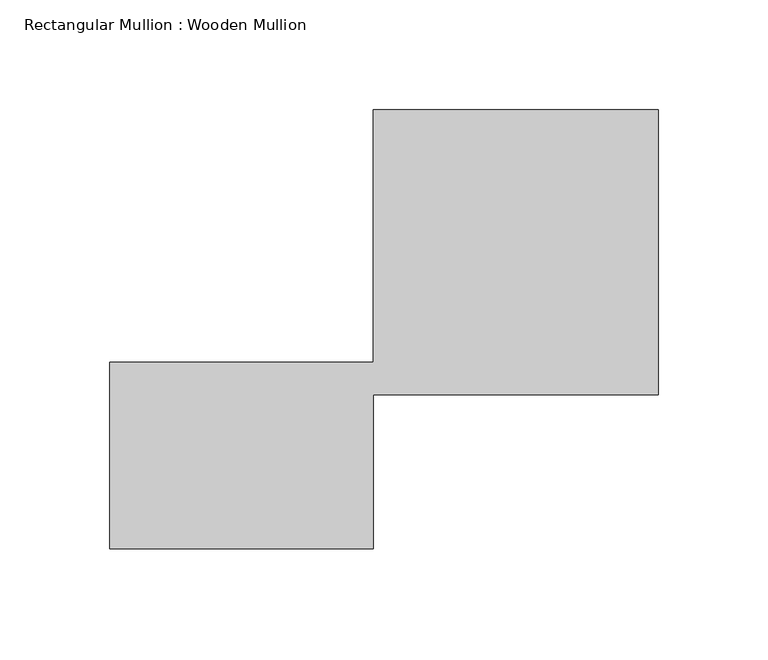
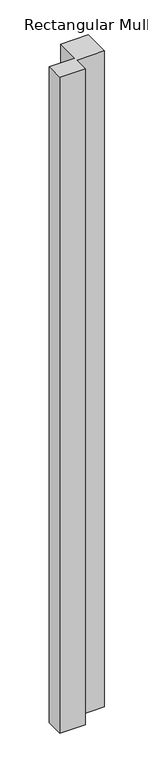
"""IFC4 building model written with IfcOpenShell, lengths in millimetres: member geometry, Rectangular Mullion : Wooden Mullion."""

from ifc_helpers import new_model, si_unit, frame, origin, place, context, project, spatial, polyline, outline, extrude, source, transform, mapped, element, save


def rectangular_mullion_wooden_mullion_5437bc1d(model_context):
    return source(origin(), model_context, "Body", "SweptSolid", [
        extrude(outline(polyline([(74.8100006, -26.0137344), (-45.1899994, -26.0137344), (-45.1899994, 58.9862656), (74.8100006, 58.9862656), (74.8100006, 173.9862656), (204.8100006, 173.9862656), (204.8100006, 43.9862656), (74.8100006, 43.9862656), (74.8100006, -26.0137344)])), frame((0.0, 0.0, -3246.0009123), z_axis=(0.0, 0.0, 1.0), x_axis=(1.0, 0.0, 0.0)), (0.0, 0.0, 1.0), 3246.0009123),
    ])


if __name__ == "__main__":
    model = new_model("IFC4")
    model_context = context("Model", 3, world=origin())
    ifc_project = project(units=[si_unit("LENGTHUNIT", "METRE", prefix="MILLI")], contexts=[model_context])
    site = spatial("IfcSite", under=ifc_project)
    building = spatial("IfcBuilding", under=site)
    placement = place(None, origin())
    rectangular_mullion_wooden_mullion_shape = rectangular_mullion_wooden_mullion_5437bc1d(model_context)
    element("IfcMember", 1, ObjectType="Rectangular Mullion : Wooden Mullion", at=placement, inside=building, context=model_context, shape_type="MappedRepresentation", body=[
        mapped(rectangular_mullion_wooden_mullion_shape, transform((0.0, 0.0, 0.0), x_axis=(1.0, 0.0, 0.0), y_axis=(0.0, 1.0, 0.0), z_axis=(0.0, 0.0, 1.0))),
    ])
    save(model, "model.ifc")
